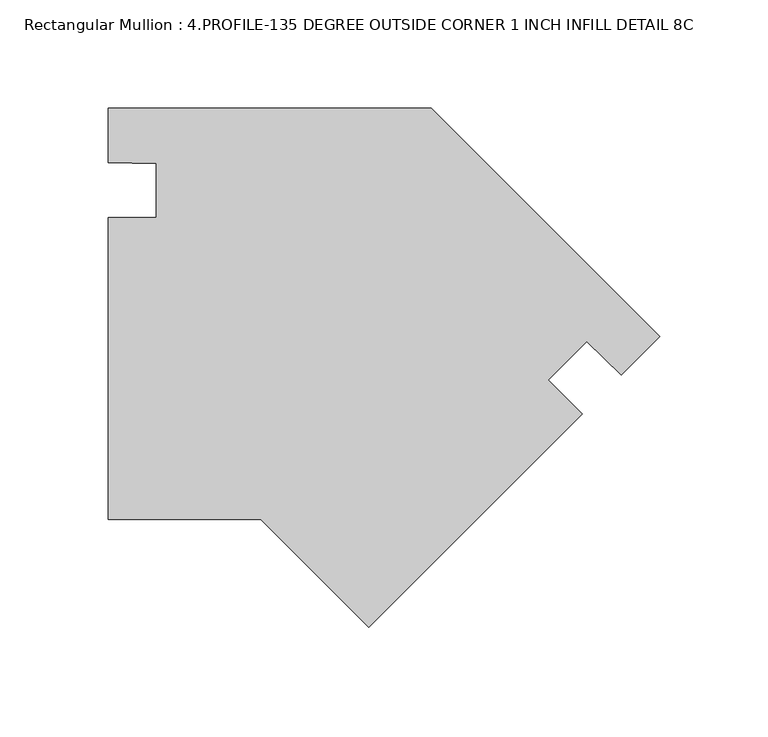
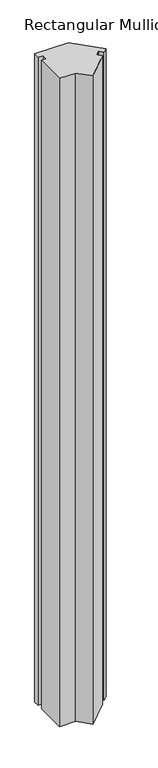
"""IFC4 building model written with IfcOpenShell, lengths in millimetres: member geometry, Rectangular Mullion : 4.PROFILE-135 DEGREE OUTSIDE CORNER 1 INCH INFILL DETAIL 8C."""

import ifcopenshell
import ifcopenshell.guid

model = None  # the IFC model being written
_history = None  # IfcOwnerHistory: only IFC2X3 demands one
_inside = {}  # id of a spatial element -> (the spatial element, [elements in it])
_under = {}  # id of a project, library or spatial element -> (it, [spatial elements below it])
_declared = {}  # id of a project -> (the project, [libraries it declares])
_typed = {}  # id of a type object -> (the type object, [elements of that type])
_made_of = {}  # id of a material, layer set ... -> (it, [elements and type objects made of it])


def new_model(schema):
    """Start an empty IFC model of exactly this schema.

    Asked for "IFC4X3", IfcOpenShell would pick the latest addendum, in which some entities
    have other attributes; the version numbers below select the first issue.
    IFC2X3 requires an IfcOwnerHistory on every rooted entity: one is made here for all.
    """
    global model, _history
    if schema == "IFC4X3":
        model = ifcopenshell.file(schema_version=(4, 3, 0, 0))
    else:
        model = ifcopenshell.file(schema=schema)
    _inside.clear()
    _under.clear()
    _declared.clear()
    _typed.clear()
    _made_of.clear()
    _history = None
    if model.schema == "IFC2X3":
        org = make("IfcOrganization", Name="unknown")
        user = make(
            "IfcPersonAndOrganization",
            ThePerson=make("IfcPerson", FamilyName="unknown"),
            TheOrganization=org,
        )
        app = make(
            "IfcApplication",
            ApplicationDeveloper=org,
            Version="unknown",
            ApplicationFullName="unknown",
            ApplicationIdentifier="unknown",
        )
        _history = make(
            "IfcOwnerHistory",
            OwningUser=user,
            OwningApplication=app,
            ChangeAction="ADDED",
            CreationDate=0,
        )
    return model


def make(cls, **values):
    """One entity of the class cls with the attributes given. An attribute that is None is left unset."""
    return model.create_entity(
        cls, **{name: value for name, value in values.items() if value is not None}
    )


def rooted(cls, **values):
    """An entity with a GlobalId (a new one), such as an element, a storey or a relation."""
    return make(cls, GlobalId=ifcopenshell.guid.new(), OwnerHistory=_history, **values)


def si_unit(unit_type, name, prefix=None):
    """IfcSIUnit, for example si_unit("LENGTHUNIT", "METRE", prefix="MILLI")."""
    return make("IfcSIUnit", UnitType=unit_type, Prefix=prefix, Name=name)


def assignment(units):
    """IfcUnitAssignment: the units of a project."""
    return None if units is None else make("IfcUnitAssignment", Units=units)


def point(xyz):
    """IfcCartesianPoint."""
    return None if xyz is None else make("IfcCartesianPoint", Coordinates=xyz)


def direction(xyz):
    """IfcDirection."""
    return None if xyz is None else make("IfcDirection", DirectionRatios=xyz)


def frame(location, z_axis=None, x_axis=None):
    """IfcAxis2Placement3D, a coordinate frame: its origin and axes. An axis left out is left unset."""
    return make(
        "IfcAxis2Placement3D",
        Location=point(location),
        Axis=direction(z_axis),
        RefDirection=direction(x_axis),
    )


def frame_2d(location, x_axis=None):
    """IfcAxis2Placement2D, a coordinate frame in the plane: its origin and x axis."""
    return make(
        "IfcAxis2Placement2D", Location=point(location), RefDirection=direction(x_axis)
    )


def origin():
    """The frame at (0, 0, 0) with its axes left unset."""
    return frame((0.0, 0.0, 0.0))


def place(relative_to, where):
    """IfcLocalPlacement: puts the frame where relative to a parent placement (None: the world)."""
    return make(
        "IfcLocalPlacement", PlacementRelTo=relative_to, RelativePlacement=where
    )


def context(
    kind, dimensions, precision=None, world=None, true_north=None, identifier=None
):
    """IfcGeometricRepresentationContext, for example the 3D "Model" context."""
    return make(
        "IfcGeometricRepresentationContext",
        ContextIdentifier=identifier,
        ContextType=kind,
        CoordinateSpaceDimension=dimensions,
        Precision=precision,
        WorldCoordinateSystem=world,
        TrueNorth=true_north,
    )


def project(units=None, contexts=None):
    """IfcProject with its units and contexts."""
    return rooted(
        "IfcProject",
        Name="project",
        RepresentationContexts=contexts,
        UnitsInContext=assignment(units),
    )


def spatial(cls, under=None, at=None, **own):
    """A site, building, storey or space (cls), placed at a placement, below another one or the project."""
    s = rooted(cls, ObjectPlacement=at, **own)
    if under is not None:
        _under.setdefault(under.id(), (under, []))[1].append(s)
    return s


def polyline(points):
    """IfcPolyline through the points."""
    return make("IfcPolyline", Points=[point(p) for p in points])


def circle_curve(where, radius):
    """IfcCircle in the frame where."""
    return make("IfcCircle", Position=where, Radius=radius)


def trimmed(basis, trim1, trim2, sense, master):
    """IfcTrimmedCurve: the piece of a basis curve between two trims."""
    return make(
        "IfcTrimmedCurve",
        BasisCurve=basis,
        Trim1=trim1,
        Trim2=trim2,
        SenseAgreement=sense,
        MasterRepresentation=master,
    )


def segment(curve, same_sense, transition):
    """IfcCompositeCurveSegment."""
    return make(
        "IfcCompositeCurveSegment",
        Transition=transition,
        SameSense=same_sense,
        ParentCurve=curve,
    )


def composite_curve(segments, self_intersect=None):
    """IfcCompositeCurve: segments joined end to end."""
    return make("IfcCompositeCurve", Segments=segments, SelfIntersect=self_intersect)


def outline(outer, holes=None, kind="AREA"):
    """IfcArbitraryClosedProfileDef: a profile drawn as a closed curve; with holes, ...WithVoids."""
    if holes is None:
        return make("IfcArbitraryClosedProfileDef", ProfileType=kind, OuterCurve=outer)
    return make(
        "IfcArbitraryProfileDefWithVoids",
        ProfileType=kind,
        OuterCurve=outer,
        InnerCurves=holes,
    )


def extrude(swept, where, along, depth):
    """IfcExtrudedAreaSolid: the profile swept, set in the frame where, extruded along a direction by depth."""
    return make(
        "IfcExtrudedAreaSolid",
        SweptArea=swept,
        Position=where,
        ExtrudedDirection=direction(along),
        Depth=depth,
    )


def shape(context_of_items, identifier, shape_type, items):
    """IfcShapeRepresentation: the items that make up one representation, for example the "Body"."""
    return make(
        "IfcShapeRepresentation",
        ContextOfItems=context_of_items,
        RepresentationIdentifier=identifier,
        RepresentationType=shape_type,
        Items=items,
    )


def source(mapping_origin, context_of_items, identifier, shape_type, items):
    """IfcRepresentationMap: a shape defined once, which mapped items show again and again."""
    return make(
        "IfcRepresentationMap",
        MappingOrigin=mapping_origin,
        MappedRepresentation=shape(context_of_items, identifier, shape_type, items),
    )


def transform(
    local_origin,
    x_axis=None,
    y_axis=None,
    z_axis=None,
    scale=None,
    scale2=None,
    scale3=None,
    uniform=True,
):
    """IfcCartesianTransformationOperator3D, or its non-uniform kind. x_axis, y_axis, z_axis: its Axis1, 2, 3."""
    if uniform:
        return make(
            "IfcCartesianTransformationOperator3D",
            Axis1=direction(x_axis),
            Axis2=direction(y_axis),
            LocalOrigin=point(local_origin),
            Scale=scale,
            Axis3=direction(z_axis),
        )
    return make(
        "IfcCartesianTransformationOperator3DnonUniform",
        Axis1=direction(x_axis),
        Axis2=direction(y_axis),
        LocalOrigin=point(local_origin),
        Scale=scale,
        Axis3=direction(z_axis),
        Scale2=scale2,
        Scale3=scale3,
    )


def mapped(mapping_source, mapping_target):
    """IfcMappedItem: shows the shape of a source again, moved by a transform."""
    return make(
        "IfcMappedItem", MappingSource=mapping_source, MappingTarget=mapping_target
    )


def made_of(thing, what):
    """Note that an element or type object is made of a material, layer set ...; save() writes the relation."""
    if what is not None:
        _made_of.setdefault(what.id(), (what, []))[1].append(thing)
    return thing


def element(
    cls,
    number,
    at=None,
    inside=None,
    cuts=None,
    type_object=None,
    material=None,
    context=None,
    identifier="Body",
    shape_type=None,
    held_by="IfcProductDefinitionShape",
    body=None,
    shapes=None,
    **own,
):
    """One element of the class cls, such as IfcWall. Its Tag is "e" and its number.

    at: its placement. inside: the storey or other place that contains it. cuts: it is an
    opening in that element (IfcRelVoidsElement). A single representation is given by context,
    identifier, shape_type and body (its items); several are given by shapes. held_by: the class
    of the entity that holds the representations. save() writes the other relations.
    """
    e = rooted(cls, Tag="e%d" % number, ObjectPlacement=at, **own)
    if body is not None:
        shapes = [shape(context, identifier, shape_type, body)]
    if shapes is not None:
        e.Representation = make(held_by, Representations=shapes)
    if inside is not None:
        _inside.setdefault(inside.id(), (inside, []))[1].append(e)
    if cuts is not None:
        rooted(
            "IfcRelVoidsElement", RelatingBuildingElement=cuts, RelatedOpeningElement=e
        )
    if type_object is not None:
        _typed.setdefault(type_object.id(), (type_object, []))[1].append(e)
    return made_of(e, material)


def aggregate(whole, parts):
    """IfcRelAggregates: a whole, such as a stair, and the parts it consists of."""
    return rooted("IfcRelAggregates", RelatingObject=whole, RelatedObjects=parts)


def save(model, path):
    """Write the relations noted so far, then the file.

    IfcRelAggregates (storeys below a building ...), IfcRelContainedInSpatialStructure (elements
    in a storey), IfcRelDefinesByType, IfcRelAssociatesMaterial and IfcRelDeclares: one each for
    every whole, place, type object, material and project.
    """
    for whole, parts in _under.values():
        aggregate(whole, parts)
    for where, things in _inside.values():
        rooted(
            "IfcRelContainedInSpatialStructure",
            RelatedElements=things,
            RelatingStructure=where,
        )
    for kind, things in _typed.values():
        rooted("IfcRelDefinesByType", RelatedObjects=things, RelatingType=kind)
    for what, things in _made_of.values():
        rooted("IfcRelAssociatesMaterial", RelatedObjects=things, RelatingMaterial=what)
    for by, libraries in _declared.values():
        rooted("IfcRelDeclares", RelatingContext=by, RelatedDefinitions=libraries)
    model.write(path)


def rectangular_mullion_4_profile_135_degree_outside_corner_1_ab61d2b1(model_context):
    return source(origin(), model_context, "Body", "SweptSolid", [
        extrude(outline(composite_curve([segment(polyline([(-184.656509, -77.4659812), (-255.300259, -77.4659812), (-255.300259, 62.2340138), (-233.0753722, 62.2340138), (-233.0753722, 87.3163855)]), True, "CONTINUOUS"), segment(trimmed(circle_curve(frame_2d((-250.9995072, -373.3738059)), 461.0387479), [point((-233.0753722, 87.3163855))], [point((-255.300259, 87.644882))], True, "CARTESIAN"), True, "CONTINUOUS"), segment(polyline([(-255.300259, 87.644882), (-255.300259, 113.0340138), (-105.7488353, 113.0340138), (0.0, 7.2851785), (-17.9528233, -10.6676448)]), True, "CONTINUOUS"), segment(trimmed(circle_curve(frame_2d((-346.9833545, -333.6159945)), 461.0387479), [point((-17.9528233, -10.6676448))], [point((-33.9004736, 4.8154412))], True, "CARTESIAN"), True, "CONTINUOUS"), segment(polyline([(-33.9004736, 4.8154412), (-51.6363887, -12.9204739), (-35.9210205, -28.6358421), (-134.7038343, -127.4186558), (-184.656509, -77.4659812)]), True, "CONTINUOUS")], self_intersect=False)), frame((0.0, 0.0, -3048.0), z_axis=(0.0, 0.0, 1.0), x_axis=(1.0, 0.0, 0.0)), (0.0, 0.0, 1.0), 3048.0),
    ])


if __name__ == "__main__":
    model = new_model("IFC4")
    model_context = context("Model", 3, world=origin())
    ifc_project = project(units=[si_unit("LENGTHUNIT", "METRE", prefix="MILLI")], contexts=[model_context])
    site = spatial("IfcSite", under=ifc_project)
    building = spatial("IfcBuilding", under=site)
    placement = place(None, origin())
    rectangular_mullion_4_profile_135_degree_outside_corner_1_shape = rectangular_mullion_4_profile_135_degree_outside_corner_1_ab61d2b1(model_context)
    element("IfcMember", 1, ObjectType="Rectangular Mullion : 4.PROFILE-135 DEGREE OUTSIDE CORNER 1 INCH INFILL DETAIL 8C", at=placement, inside=building, context=model_context, shape_type="MappedRepresentation", body=[
        mapped(rectangular_mullion_4_profile_135_degree_outside_corner_1_shape, transform((0.0, 0.0, 0.0), x_axis=(1.0, 0.0, 0.0), y_axis=(0.0, 1.0, 0.0), z_axis=(0.0, 0.0, 1.0))),
    ])
    save(model, "model.ifc")
